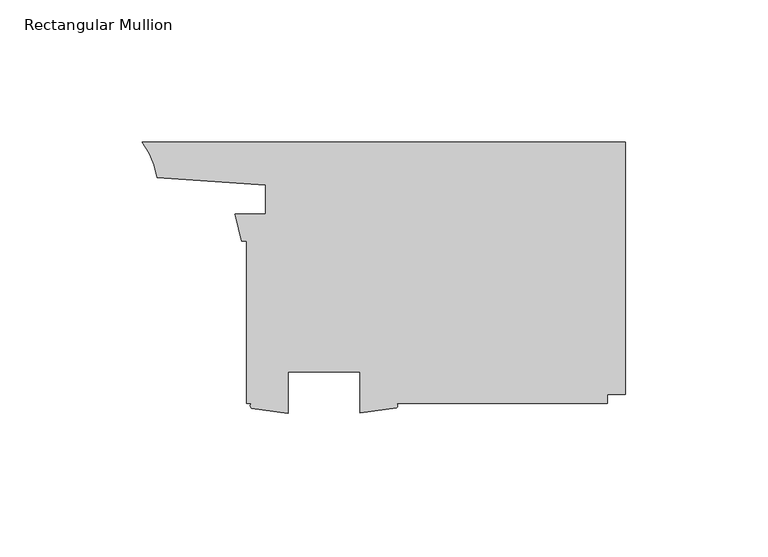
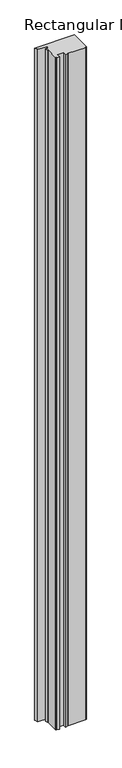
"""IFC4 building model written with IfcOpenShell, lengths in millimetres: member geometry, Rectangular Mullion."""

from ifc_helpers import new_model, si_unit, point, frame, frame_2d, origin, place, context, project, spatial, polyline, circle_curve, trimmed, segment, composite_curve, outline, extrude, source, transform, mapped, element, save


def rectangular_mullion_70796cfc(model_context):
    return source(origin(), model_context, "Body", "SweptSolid", [
        extrude(outline(composite_curve([segment(polyline([(0.0, 50.5967865), (0.0, -38.3031865), (-6.3499375, -38.3031865), (-6.3499375, -41.4783405), (-80.6751249, -41.4783405)]), True, "CONTINUOUS"), segment(trimmed(circle_curve(frame_2d((-81.1874361, -42.2712886)), 0.9440495), [point((-80.6751249, -41.4783405))], [point((-80.6751249, -43.0642368))], False, "CARTESIAN"), True, "CONTINUOUS"), segment(polyline([(-80.6751249, -43.0642368), (-93.4464125, -44.8743405), (-93.4464125, -30.3658405), (-118.8464125, -30.3658405), (-118.8464125, -44.9978623), (-131.6194653, -43.1417449)]), True, "CONTINUOUS"), segment(trimmed(circle_curve(frame_2d((-131.1622071, -42.3100427)), 0.949112), [point((-131.6194653, -43.1417449))], [point((-131.6194653, -41.4783405))], False, "CARTESIAN"), True, "CONTINUOUS"), segment(polyline([(-131.6194653, -41.4783405), (-133.3499375, -41.4783405), (-133.3499375, 15.6717865), (-135.0812017, 15.6717865), (-137.5233844, 25.1967865), (-126.7327675, 25.1967865), (-126.7327675, 35.3567865), (-164.9873252, 38.0066886)]), True, "CONTINUOUS"), segment(trimmed(circle_curve(frame_2d((-192.0166343, 34.1382674)), 27.3047292), [point((-164.9873252, 38.0066886))], [point((-170.2298176, 50.5967865))], True, "CARTESIAN"), True, "CONTINUOUS"), segment(polyline([(-170.2298176, 50.5967865), (0.0, 50.5967865)]), True, "CONTINUOUS")], self_intersect=False)), frame((0.0, 0.0, -3048.0), z_axis=(0.0, 0.0, 1.0), x_axis=(1.0, 0.0, 0.0)), (0.0, 0.0, 1.0), 3048.0),
    ])


if __name__ == "__main__":
    model = new_model("IFC4")
    model_context = context("Model", 3, world=origin())
    ifc_project = project(units=[si_unit("LENGTHUNIT", "METRE", prefix="MILLI")], contexts=[model_context])
    site = spatial("IfcSite", under=ifc_project)
    building = spatial("IfcBuilding", under=site)
    placement = place(None, origin())
    rectangular_mullion_shape = rectangular_mullion_70796cfc(model_context)
    element("IfcMember", 1, ObjectType="Rectangular Mullion", at=placement, inside=building, context=model_context, shape_type="MappedRepresentation", body=[
        mapped(rectangular_mullion_shape, transform((0.0, 0.0, 0.0), x_axis=(1.0, 0.0, 0.0), y_axis=(0.0, 1.0, 0.0), z_axis=(0.0, 0.0, 1.0))),
    ])
    save(model, "model.ifc")
